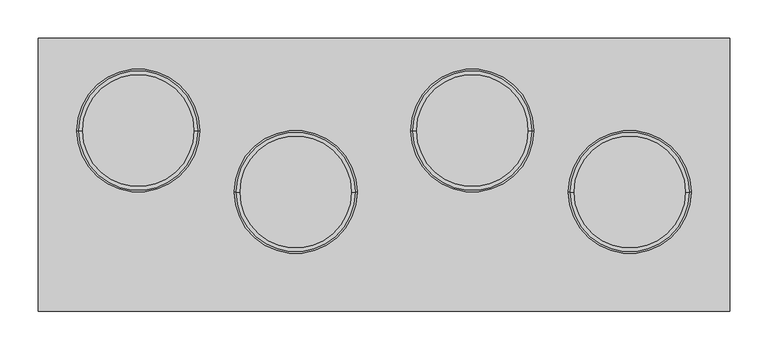
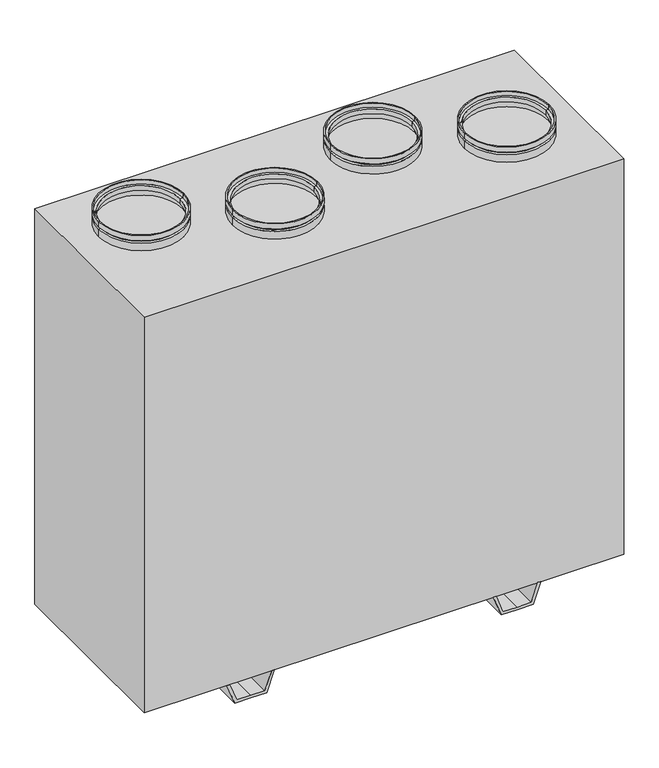
"""IFC4 building model written with IfcOpenShell, lengths in millimetres: proxy geometry."""

from ifc_helpers import new_model, si_unit, frame, origin, place, context, project, spatial, polyline, circle_curve, outline, extrude, source, transform, mapped, element, save
from ifc_brep_helpers import plane_surface, cylinder_surface, revolved_surface, advanced_brep


def mechanical_equipment_d08b64f3(model_context):
    return source(origin(), model_context, "Body", "SolidModel", [
        advanced_brep(
        [(400.0, -22.5, 845.0), (240.0, -22.5, 845.0), (240.0, -22.5, 855.0), (400.0, -22.5, 855.0), (395.0, -22.5, 845.0), (245.0, -22.5, 845.0), (395.0, -22.5, 840.0), (245.0, -22.5, 840.0), (400.0, -22.5, 840.0), (240.0, -22.5, 840.0), (400.0, -22.5, 825.0), (240.0, -22.5, 825.0), (398.0, -22.5, 825.0), (242.0, -22.5, 825.0), (398.0, -22.5, 838.0), (242.0, -22.5, 838.0), (393.0, -22.5, 838.0), (247.0, -22.5, 838.0), (393.0, -22.5, 847.0), (247.0, -22.5, 847.0), (398.0, -22.5, 847.0), (242.0, -22.5, 847.0), (398.0, -22.5, 855.0), (242.0, -22.5, 855.0)],
        [
            (0, 1, circle_curve(frame((320.0, -22.5, 845.0), z_axis=(0.0, 0.0, 1.0), x_axis=(-1.0, 0.0, 0.0)), 80.0)),
            (1, 2),
            (2, 3, circle_curve(frame((320.0, -22.5, 855.0), z_axis=(0.0, 0.0, -1.0), x_axis=(-1.0, 0.0, 0.0)), 80.0)),
            (3, 0),
            (1, 0, circle_curve(frame((320.0, -22.5, 845.0), z_axis=(0.0, 0.0, 1.0), x_axis=(-1.0, 0.0, 0.0)), 80.0)),
            (3, 2, circle_curve(frame((320.0, -22.5, 855.0), z_axis=(0.0, 0.0, -1.0), x_axis=(-1.0, 0.0, 0.0)), 80.0)),
            (4, 5, circle_curve(frame((320.0, -22.5, 845.0), z_axis=(0.0, 0.0, 1.0), x_axis=(-1.0, 0.0, 0.0)), 75.0)),
            (5, 1),
            (0, 4),
            (5, 4, circle_curve(frame((320.0, -22.5, 845.0), z_axis=(0.0, 0.0, 1.0), x_axis=(-1.0, 0.0, 0.0)), 75.0)),
            (6, 7, circle_curve(frame((320.0, -22.5, 840.0), z_axis=(0.0, 0.0, 1.0), x_axis=(-1.0, 0.0, 0.0)), 75.0)),
            (7, 5),
            (4, 6),
            (7, 6, circle_curve(frame((320.0, -22.5, 840.0), z_axis=(0.0, 0.0, 1.0), x_axis=(-1.0, 0.0, 0.0)), 75.0)),
            (8, 9, circle_curve(frame((320.0, -22.5, 840.0), z_axis=(0.0, 0.0, 1.0), x_axis=(-1.0, 0.0, 0.0)), 80.0)),
            (9, 7),
            (6, 8),
            (9, 8, circle_curve(frame((320.0, -22.5, 840.0), z_axis=(0.0, 0.0, 1.0), x_axis=(-1.0, 0.0, 0.0)), 80.0)),
            (10, 11, circle_curve(frame((320.0, -22.5, 825.0), z_axis=(0.0, 0.0, 1.0), x_axis=(-1.0, 0.0, 0.0)), 80.0)),
            (11, 9),
            (8, 10),
            (11, 10, circle_curve(frame((320.0, -22.5, 825.0), z_axis=(0.0, 0.0, 1.0), x_axis=(-1.0, 0.0, 0.0)), 80.0)),
            (12, 13, circle_curve(frame((320.0, -22.5, 825.0), z_axis=(0.0, 0.0, 1.0), x_axis=(-1.0, 0.0, 0.0)), 78.0)),
            (13, 11),
            (10, 12),
            (13, 12, circle_curve(frame((320.0, -22.5, 825.0), z_axis=(0.0, 0.0, 1.0), x_axis=(-1.0, 0.0, 0.0)), 78.0)),
            (14, 15, circle_curve(frame((320.0, -22.5, 838.0), z_axis=(0.0, 0.0, 1.0), x_axis=(-1.0, 0.0, 0.0)), 78.0)),
            (15, 13),
            (12, 14),
            (15, 14, circle_curve(frame((320.0, -22.5, 838.0), z_axis=(0.0, 0.0, 1.0), x_axis=(-1.0, 0.0, 0.0)), 78.0)),
            (16, 17, circle_curve(frame((320.0, -22.5, 838.0), z_axis=(0.0, 0.0, 1.0), x_axis=(-1.0, 0.0, 0.0)), 73.0)),
            (17, 15),
            (14, 16),
            (17, 16, circle_curve(frame((320.0, -22.5, 838.0), z_axis=(0.0, 0.0, 1.0), x_axis=(-1.0, 0.0, 0.0)), 73.0)),
            (18, 19, circle_curve(frame((320.0, -22.5, 847.0), z_axis=(0.0, 0.0, 1.0), x_axis=(-1.0, 0.0, 0.0)), 73.0)),
            (19, 17),
            (16, 18),
            (19, 18, circle_curve(frame((320.0, -22.5, 847.0), z_axis=(0.0, 0.0, 1.0), x_axis=(-1.0, 0.0, 0.0)), 73.0)),
            (20, 21, circle_curve(frame((320.0, -22.5, 847.0), z_axis=(0.0, 0.0, 1.0), x_axis=(-1.0, 0.0, 0.0)), 78.0)),
            (21, 19),
            (18, 20),
            (21, 20, circle_curve(frame((320.0, -22.5, 847.0), z_axis=(0.0, 0.0, 1.0), x_axis=(-1.0, 0.0, 0.0)), 78.0)),
            (22, 23, circle_curve(frame((320.0, -22.5, 855.0), z_axis=(0.0, 0.0, 1.0), x_axis=(-1.0, 0.0, 0.0)), 78.0)),
            (23, 21),
            (20, 22),
            (23, 22, circle_curve(frame((320.0, -22.5, 855.0), z_axis=(0.0, 0.0, 1.0), x_axis=(-1.0, 0.0, 0.0)), 78.0)),
            (2, 23),
            (22, 3),
        ],
        [
            cylinder_surface(frame((320.0, -22.5, 2390.0440172), z_axis=(0.0, 0.0, -1.0), x_axis=(-1.0, 0.0, 0.0)), 80.0),
            plane_surface(frame((320.0, -22.5, 845.0), z_axis=(0.0, 0.0, -1.0), x_axis=(-1.0, 0.0, 0.0))),
            cylinder_surface(frame((320.0, -22.5, 2390.0440172), z_axis=(0.0, 0.0, -1.0), x_axis=(-1.0, 0.0, 0.0)), 75.0),
            plane_surface(frame((320.0, -22.5, 840.0), z_axis=(0.0, 0.0, 1.0), x_axis=(-1.0, 0.0, 0.0))),
            plane_surface(frame((320.0, -22.5, 825.0), z_axis=(0.0, 0.0, -1.0), x_axis=(-1.0, 0.0, 0.0))),
            revolved_surface(polyline([(242.0, -22.5, 825.0), (242.0, -22.5, 838.0)]), (320.0, -22.5, 2390.0440172), (0.0, 0.0, -1.0)),
            plane_surface(frame((320.0, -22.5, 838.0), z_axis=(0.0, 0.0, -1.0), x_axis=(-1.0, 0.0, 0.0))),
            revolved_surface(polyline([(247.0, -22.5, 838.0), (247.0, -22.5, 847.0)]), (320.0, -22.5, 2390.0440172), (0.0, 0.0, -1.0)),
            plane_surface(frame((320.0, -22.5, 847.0), z_axis=(0.0, 0.0, 1.0), x_axis=(-1.0, 0.0, 0.0))),
            revolved_surface(polyline([(242.0, -22.5, 847.0), (242.0, -22.5, 855.0)]), (320.0, -22.5, 2390.0440172), (0.0, 0.0, -1.0)),
            plane_surface(frame((320.0, -22.5, 855.0), z_axis=(0.0, 0.0, 1.0), x_axis=(-1.0, 0.0, 0.0))),
        ],
        [
            (0, [[1, 2, 3, 4]]),
            (0, [[5, -4, 6, -2]]),
            (1, [[7, 8, -1, 9]]),
            (1, [[10, -9, -5, -8]]),
            (2, [[11, 12, -7, 13]]),
            (2, [[14, -13, -10, -12]]),
            (3, [[15, 16, -11, 17]]),
            (3, [[18, -17, -14, -16]]),
            (0, [[19, 20, -15, 21]]),
            (0, [[22, -21, -18, -20]]),
            (4, [[23, 24, -19, 25]]),
            (4, [[26, -25, -22, -24]]),
            (5, [[27, 28, -23, 29]]),
            (5, [[30, -29, -26, -28]]),
            (6, [[31, 32, -27, 33]]),
            (6, [[34, -33, -30, -32]]),
            (7, [[35, 36, -31, 37]]),
            (7, [[38, -37, -34, -36]]),
            (8, [[39, 40, -35, 41]]),
            (8, [[42, -41, -38, -40]]),
            (9, [[43, 44, -39, 45]]),
            (9, [[46, -45, -42, -44]]),
            (10, [[-3, 47, -43, 48]]),
            (10, [[-6, -48, -46, -47]]),
        ],
    ),
        advanced_brep(
        [(195.0, 57.5, 845.0), (35.0, 57.5, 845.0), (35.0, 57.5, 855.0), (195.0, 57.5, 855.0), (190.0, 57.5, 845.0), (40.0, 57.5, 845.0), (190.0, 57.5, 840.0), (40.0, 57.5, 840.0), (195.0, 57.5, 840.0), (35.0, 57.5, 840.0), (195.0, 57.5, 825.0), (35.0, 57.5, 825.0), (193.0, 57.5, 825.0), (37.0, 57.5, 825.0), (193.0, 57.5, 838.0), (37.0, 57.5, 838.0), (188.0, 57.5, 838.0), (42.0, 57.5, 838.0), (188.0, 57.5, 847.0), (42.0, 57.5, 847.0), (193.0, 57.5, 847.0), (37.0, 57.5, 847.0), (193.0, 57.5, 855.0), (37.0, 57.5, 855.0)],
        [
            (0, 1, circle_curve(frame((115.0, 57.5, 845.0), z_axis=(0.0, 0.0, 1.0), x_axis=(-1.0, 0.0, 0.0)), 80.0)),
            (1, 2),
            (2, 3, circle_curve(frame((115.0, 57.5, 855.0), z_axis=(0.0, 0.0, -1.0), x_axis=(-1.0, 0.0, 0.0)), 80.0)),
            (3, 0),
            (1, 0, circle_curve(frame((115.0, 57.5, 845.0), z_axis=(0.0, 0.0, 1.0), x_axis=(-1.0, 0.0, 0.0)), 80.0)),
            (3, 2, circle_curve(frame((115.0, 57.5, 855.0), z_axis=(0.0, 0.0, -1.0), x_axis=(-1.0, 0.0, 0.0)), 80.0)),
            (4, 5, circle_curve(frame((115.0, 57.5, 845.0), z_axis=(0.0, 0.0, 1.0), x_axis=(-1.0, 0.0, 0.0)), 75.0)),
            (5, 1),
            (0, 4),
            (5, 4, circle_curve(frame((115.0, 57.5, 845.0), z_axis=(0.0, 0.0, 1.0), x_axis=(-1.0, 0.0, 0.0)), 75.0)),
            (6, 7, circle_curve(frame((115.0, 57.5, 840.0), z_axis=(0.0, 0.0, 1.0), x_axis=(-1.0, 0.0, 0.0)), 75.0)),
            (7, 5),
            (4, 6),
            (7, 6, circle_curve(frame((115.0, 57.5, 840.0), z_axis=(0.0, 0.0, 1.0), x_axis=(-1.0, 0.0, 0.0)), 75.0)),
            (8, 9, circle_curve(frame((115.0, 57.5, 840.0), z_axis=(0.0, 0.0, 1.0), x_axis=(-1.0, 0.0, 0.0)), 80.0)),
            (9, 7),
            (6, 8),
            (9, 8, circle_curve(frame((115.0, 57.5, 840.0), z_axis=(0.0, 0.0, 1.0), x_axis=(-1.0, 0.0, 0.0)), 80.0)),
            (10, 11, circle_curve(frame((115.0, 57.5, 825.0), z_axis=(0.0, 0.0, 1.0), x_axis=(-1.0, 0.0, 0.0)), 80.0)),
            (11, 9),
            (8, 10),
            (11, 10, circle_curve(frame((115.0, 57.5, 825.0), z_axis=(0.0, 0.0, 1.0), x_axis=(-1.0, 0.0, 0.0)), 80.0)),
            (12, 13, circle_curve(frame((115.0, 57.5, 825.0), z_axis=(0.0, 0.0, 1.0), x_axis=(-1.0, 0.0, 0.0)), 78.0)),
            (13, 11),
            (10, 12),
            (13, 12, circle_curve(frame((115.0, 57.5, 825.0), z_axis=(0.0, 0.0, 1.0), x_axis=(-1.0, 0.0, 0.0)), 78.0)),
            (14, 15, circle_curve(frame((115.0, 57.5, 838.0), z_axis=(0.0, 0.0, 1.0), x_axis=(-1.0, 0.0, 0.0)), 78.0)),
            (15, 13),
            (12, 14),
            (15, 14, circle_curve(frame((115.0, 57.5, 838.0), z_axis=(0.0, 0.0, 1.0), x_axis=(-1.0, 0.0, 0.0)), 78.0)),
            (16, 17, circle_curve(frame((115.0, 57.5, 838.0), z_axis=(0.0, 0.0, 1.0), x_axis=(-1.0, 0.0, 0.0)), 73.0)),
            (17, 15),
            (14, 16),
            (17, 16, circle_curve(frame((115.0, 57.5, 838.0), z_axis=(0.0, 0.0, 1.0), x_axis=(-1.0, 0.0, 0.0)), 73.0)),
            (18, 19, circle_curve(frame((115.0, 57.5, 847.0), z_axis=(0.0, 0.0, 1.0), x_axis=(-1.0, 0.0, 0.0)), 73.0)),
            (19, 17),
            (16, 18),
            (19, 18, circle_curve(frame((115.0, 57.5, 847.0), z_axis=(0.0, 0.0, 1.0), x_axis=(-1.0, 0.0, 0.0)), 73.0)),
            (20, 21, circle_curve(frame((115.0, 57.5, 847.0), z_axis=(0.0, 0.0, 1.0), x_axis=(-1.0, 0.0, 0.0)), 78.0)),
            (21, 19),
            (18, 20),
            (21, 20, circle_curve(frame((115.0, 57.5, 847.0), z_axis=(0.0, 0.0, 1.0), x_axis=(-1.0, 0.0, 0.0)), 78.0)),
            (22, 23, circle_curve(frame((115.0, 57.5, 855.0), z_axis=(0.0, 0.0, 1.0), x_axis=(-1.0, 0.0, 0.0)), 78.0)),
            (23, 21),
            (20, 22),
            (23, 22, circle_curve(frame((115.0, 57.5, 855.0), z_axis=(0.0, 0.0, 1.0), x_axis=(-1.0, 0.0, 0.0)), 78.0)),
            (2, 23),
            (22, 3),
        ],
        [
            cylinder_surface(frame((115.0, 57.5, 2390.0440172), z_axis=(0.0, 0.0, -1.0), x_axis=(-1.0, 0.0, 0.0)), 80.0),
            plane_surface(frame((115.0, 57.5, 845.0), z_axis=(0.0, 0.0, -1.0), x_axis=(-1.0, 0.0, 0.0))),
            cylinder_surface(frame((115.0, 57.5, 2390.0440172), z_axis=(0.0, 0.0, -1.0), x_axis=(-1.0, 0.0, 0.0)), 75.0),
            plane_surface(frame((115.0, 57.5, 840.0), z_axis=(0.0, 0.0, 1.0), x_axis=(-1.0, 0.0, 0.0))),
            plane_surface(frame((115.0, 57.5, 825.0), z_axis=(0.0, 0.0, -1.0), x_axis=(-1.0, 0.0, 0.0))),
            revolved_surface(polyline([(37.0, 57.5, 825.0), (37.0, 57.5, 838.0)]), (115.0, 57.5, 2390.0440172), (0.0, 0.0, -1.0)),
            plane_surface(frame((115.0, 57.5, 838.0), z_axis=(0.0, 0.0, -1.0), x_axis=(-1.0, 0.0, 0.0))),
            revolved_surface(polyline([(42.0, 57.5, 838.0), (42.0, 57.5, 847.0)]), (115.0, 57.5, 2390.0440172), (0.0, 0.0, -1.0)),
            plane_surface(frame((115.0, 57.5, 847.0), z_axis=(0.0, 0.0, 1.0), x_axis=(-1.0, 0.0, 0.0))),
            revolved_surface(polyline([(37.0, 57.5, 847.0), (37.0, 57.5, 855.0)]), (115.0, 57.5, 2390.0440172), (0.0, 0.0, -1.0)),
            plane_surface(frame((115.0, 57.5, 855.0), z_axis=(0.0, 0.0, 1.0), x_axis=(-1.0, 0.0, 0.0))),
        ],
        [
            (0, [[1, 2, 3, 4]]),
            (0, [[5, -4, 6, -2]]),
            (1, [[7, 8, -1, 9]]),
            (1, [[10, -9, -5, -8]]),
            (2, [[11, 12, -7, 13]]),
            (2, [[14, -13, -10, -12]]),
            (3, [[15, 16, -11, 17]]),
            (3, [[18, -17, -14, -16]]),
            (0, [[19, 20, -15, 21]]),
            (0, [[22, -21, -18, -20]]),
            (4, [[23, 24, -19, 25]]),
            (4, [[26, -25, -22, -24]]),
            (5, [[27, 28, -23, 29]]),
            (5, [[30, -29, -26, -28]]),
            (6, [[31, 32, -27, 33]]),
            (6, [[34, -33, -30, -32]]),
            (7, [[35, 36, -31, 37]]),
            (7, [[38, -37, -34, -36]]),
            (8, [[39, 40, -35, 41]]),
            (8, [[42, -41, -38, -40]]),
            (9, [[43, 44, -39, 45]]),
            (9, [[46, -45, -42, -44]]),
            (10, [[-3, 47, -43, 48]]),
            (10, [[-6, -48, -46, -47]]),
        ],
    ),
        advanced_brep(
        [(-35.0, -22.5, 845.0), (-195.0, -22.5, 845.0), (-195.0, -22.5, 855.0), (-35.0, -22.5, 855.0), (-40.0, -22.5, 845.0), (-190.0, -22.5, 845.0), (-40.0, -22.5, 840.0), (-190.0, -22.5, 840.0), (-35.0, -22.5, 840.0), (-195.0, -22.5, 840.0), (-35.0, -22.5, 825.0), (-195.0, -22.5, 825.0), (-37.0, -22.5, 825.0), (-193.0, -22.5, 825.0), (-37.0, -22.5, 838.0), (-193.0, -22.5, 838.0), (-42.0, -22.5, 838.0), (-188.0, -22.5, 838.0), (-42.0, -22.5, 847.0), (-188.0, -22.5, 847.0), (-37.0, -22.5, 847.0), (-193.0, -22.5, 847.0), (-37.0, -22.5, 855.0), (-193.0, -22.5, 855.0)],
        [
            (0, 1, circle_curve(frame((-115.0, -22.5, 845.0), z_axis=(0.0, 0.0, 1.0), x_axis=(-1.0, 0.0, 0.0)), 80.0)),
            (1, 2),
            (2, 3, circle_curve(frame((-115.0, -22.5, 855.0), z_axis=(0.0, 0.0, -1.0), x_axis=(-1.0, 0.0, 0.0)), 80.0)),
            (3, 0),
            (1, 0, circle_curve(frame((-115.0, -22.5, 845.0), z_axis=(0.0, 0.0, 1.0), x_axis=(-1.0, 0.0, 0.0)), 80.0)),
            (3, 2, circle_curve(frame((-115.0, -22.5, 855.0), z_axis=(0.0, 0.0, -1.0), x_axis=(-1.0, 0.0, 0.0)), 80.0)),
            (4, 5, circle_curve(frame((-115.0, -22.5, 845.0), z_axis=(0.0, 0.0, 1.0), x_axis=(-1.0, 0.0, 0.0)), 75.0)),
            (5, 1),
            (0, 4),
            (5, 4, circle_curve(frame((-115.0, -22.5, 845.0), z_axis=(0.0, 0.0, 1.0), x_axis=(-1.0, 0.0, 0.0)), 75.0)),
            (6, 7, circle_curve(frame((-115.0, -22.5, 840.0), z_axis=(0.0, 0.0, 1.0), x_axis=(-1.0, 0.0, 0.0)), 75.0)),
            (7, 5),
            (4, 6),
            (7, 6, circle_curve(frame((-115.0, -22.5, 840.0), z_axis=(0.0, 0.0, 1.0), x_axis=(-1.0, 0.0, 0.0)), 75.0)),
            (8, 9, circle_curve(frame((-115.0, -22.5, 840.0), z_axis=(0.0, 0.0, 1.0), x_axis=(-1.0, 0.0, 0.0)), 80.0)),
            (9, 7),
            (6, 8),
            (9, 8, circle_curve(frame((-115.0, -22.5, 840.0), z_axis=(0.0, 0.0, 1.0), x_axis=(-1.0, 0.0, 0.0)), 80.0)),
            (10, 11, circle_curve(frame((-115.0, -22.5, 825.0), z_axis=(0.0, 0.0, 1.0), x_axis=(-1.0, 0.0, 0.0)), 80.0)),
            (11, 9),
            (8, 10),
            (11, 10, circle_curve(frame((-115.0, -22.5, 825.0), z_axis=(0.0, 0.0, 1.0), x_axis=(-1.0, 0.0, 0.0)), 80.0)),
            (12, 13, circle_curve(frame((-115.0, -22.5, 825.0), z_axis=(0.0, 0.0, 1.0), x_axis=(-1.0, 0.0, 0.0)), 78.0)),
            (13, 11),
            (10, 12),
            (13, 12, circle_curve(frame((-115.0, -22.5, 825.0), z_axis=(0.0, 0.0, 1.0), x_axis=(-1.0, 0.0, 0.0)), 78.0)),
            (14, 15, circle_curve(frame((-115.0, -22.5, 838.0), z_axis=(0.0, 0.0, 1.0), x_axis=(-1.0, 0.0, 0.0)), 78.0)),
            (15, 13),
            (12, 14),
            (15, 14, circle_curve(frame((-115.0, -22.5, 838.0), z_axis=(0.0, 0.0, 1.0), x_axis=(-1.0, 0.0, 0.0)), 78.0)),
            (16, 17, circle_curve(frame((-115.0, -22.5, 838.0), z_axis=(0.0, 0.0, 1.0), x_axis=(-1.0, 0.0, 0.0)), 73.0)),
            (17, 15),
            (14, 16),
            (17, 16, circle_curve(frame((-115.0, -22.5, 838.0), z_axis=(0.0, 0.0, 1.0), x_axis=(-1.0, 0.0, 0.0)), 73.0)),
            (18, 19, circle_curve(frame((-115.0, -22.5, 847.0), z_axis=(0.0, 0.0, 1.0), x_axis=(-1.0, 0.0, 0.0)), 73.0)),
            (19, 17),
            (16, 18),
            (19, 18, circle_curve(frame((-115.0, -22.5, 847.0), z_axis=(0.0, 0.0, 1.0), x_axis=(-1.0, 0.0, 0.0)), 73.0)),
            (20, 21, circle_curve(frame((-115.0, -22.5, 847.0), z_axis=(0.0, 0.0, 1.0), x_axis=(-1.0, 0.0, 0.0)), 78.0)),
            (21, 19),
            (18, 20),
            (21, 20, circle_curve(frame((-115.0, -22.5, 847.0), z_axis=(0.0, 0.0, 1.0), x_axis=(-1.0, 0.0, 0.0)), 78.0)),
            (22, 23, circle_curve(frame((-115.0, -22.5, 855.0), z_axis=(0.0, 0.0, 1.0), x_axis=(-1.0, 0.0, 0.0)), 78.0)),
            (23, 21),
            (20, 22),
            (23, 22, circle_curve(frame((-115.0, -22.5, 855.0), z_axis=(0.0, 0.0, 1.0), x_axis=(-1.0, 0.0, 0.0)), 78.0)),
            (2, 23),
            (22, 3),
        ],
        [
            cylinder_surface(frame((-115.0, -22.5, 2390.0440172), z_axis=(0.0, 0.0, -1.0), x_axis=(-1.0, 0.0, 0.0)), 80.0),
            plane_surface(frame((-115.0, -22.5, 845.0), z_axis=(0.0, 0.0, -1.0), x_axis=(-1.0, 0.0, 0.0))),
            cylinder_surface(frame((-115.0, -22.5, 2390.0440172), z_axis=(0.0, 0.0, -1.0), x_axis=(-1.0, 0.0, 0.0)), 75.0),
            plane_surface(frame((-115.0, -22.5, 840.0), z_axis=(0.0, 0.0, 1.0), x_axis=(-1.0, 0.0, 0.0))),
            plane_surface(frame((-115.0, -22.5, 825.0), z_axis=(0.0, 0.0, -1.0), x_axis=(-1.0, 0.0, 0.0))),
            revolved_surface(polyline([(-193.0, -22.5, 825.0), (-193.0, -22.5, 838.0)]), (-115.0, -22.5, 2390.0440172), (0.0, 0.0, -1.0)),
            plane_surface(frame((-115.0, -22.5, 838.0), z_axis=(0.0, 0.0, -1.0), x_axis=(-1.0, 0.0, 0.0))),
            revolved_surface(polyline([(-188.0, -22.5, 838.0), (-188.0, -22.5, 847.0)]), (-115.0, -22.5, 2390.0440172), (0.0, 0.0, -1.0)),
            plane_surface(frame((-115.0, -22.5, 847.0), z_axis=(0.0, 0.0, 1.0), x_axis=(-1.0, 0.0, 0.0))),
            revolved_surface(polyline([(-193.0, -22.5, 847.0), (-193.0, -22.5, 855.0)]), (-115.0, -22.5, 2390.0440172), (0.0, 0.0, -1.0)),
            plane_surface(frame((-115.0, -22.5, 855.0), z_axis=(0.0, 0.0, 1.0), x_axis=(-1.0, 0.0, 0.0))),
        ],
        [
            (0, [[1, 2, 3, 4]]),
            (0, [[5, -4, 6, -2]]),
            (1, [[7, 8, -1, 9]]),
            (1, [[10, -9, -5, -8]]),
            (2, [[11, 12, -7, 13]]),
            (2, [[14, -13, -10, -12]]),
            (3, [[15, 16, -11, 17]]),
            (3, [[18, -17, -14, -16]]),
            (0, [[19, 20, -15, 21]]),
            (0, [[22, -21, -18, -20]]),
            (4, [[23, 24, -19, 25]]),
            (4, [[26, -25, -22, -24]]),
            (5, [[27, 28, -23, 29]]),
            (5, [[30, -29, -26, -28]]),
            (6, [[31, 32, -27, 33]]),
            (6, [[34, -33, -30, -32]]),
            (7, [[35, 36, -31, 37]]),
            (7, [[38, -37, -34, -36]]),
            (8, [[39, 40, -35, 41]]),
            (8, [[42, -41, -38, -40]]),
            (9, [[43, 44, -39, 45]]),
            (9, [[46, -45, -42, -44]]),
            (10, [[-3, 47, -43, 48]]),
            (10, [[-6, -48, -46, -47]]),
        ],
    ),
        advanced_brep(
        [(-240.0, 57.5, 845.0), (-400.0, 57.5, 845.0), (-400.0, 57.5, 855.0), (-240.0, 57.5, 855.0), (-245.0, 57.5, 845.0), (-395.0, 57.5, 845.0), (-245.0, 57.5, 840.0), (-395.0, 57.5, 840.0), (-240.0, 57.5, 840.0), (-400.0, 57.5, 840.0), (-240.0, 57.5, 825.0), (-400.0, 57.5, 825.0), (-242.0, 57.5, 825.0), (-398.0, 57.5, 825.0), (-242.0, 57.5, 838.0), (-398.0, 57.5, 838.0), (-247.0, 57.5, 838.0), (-393.0, 57.5, 838.0), (-247.0, 57.5, 847.0), (-393.0, 57.5, 847.0), (-242.0, 57.5, 847.0), (-398.0, 57.5, 847.0), (-242.0, 57.5, 855.0), (-398.0, 57.5, 855.0)],
        [
            (0, 1, circle_curve(frame((-320.0, 57.5, 845.0), z_axis=(0.0, 0.0, 1.0), x_axis=(-1.0, 0.0, 0.0)), 80.0)),
            (1, 2),
            (2, 3, circle_curve(frame((-320.0, 57.5, 855.0), z_axis=(0.0, 0.0, -1.0), x_axis=(-1.0, 0.0, 0.0)), 80.0)),
            (3, 0),
            (1, 0, circle_curve(frame((-320.0, 57.5, 845.0), z_axis=(0.0, 0.0, 1.0), x_axis=(-1.0, 0.0, 0.0)), 80.0)),
            (3, 2, circle_curve(frame((-320.0, 57.5, 855.0), z_axis=(0.0, 0.0, -1.0), x_axis=(-1.0, 0.0, 0.0)), 80.0)),
            (4, 5, circle_curve(frame((-320.0, 57.5, 845.0), z_axis=(0.0, 0.0, 1.0), x_axis=(-1.0, 0.0, 0.0)), 75.0)),
            (5, 1),
            (0, 4),
            (5, 4, circle_curve(frame((-320.0, 57.5, 845.0), z_axis=(0.0, 0.0, 1.0), x_axis=(-1.0, 0.0, 0.0)), 75.0)),
            (6, 7, circle_curve(frame((-320.0, 57.5, 840.0), z_axis=(0.0, 0.0, 1.0), x_axis=(-1.0, 0.0, 0.0)), 75.0)),
            (7, 5),
            (4, 6),
            (7, 6, circle_curve(frame((-320.0, 57.5, 840.0), z_axis=(0.0, 0.0, 1.0), x_axis=(-1.0, 0.0, 0.0)), 75.0)),
            (8, 9, circle_curve(frame((-320.0, 57.5, 840.0), z_axis=(0.0, 0.0, 1.0), x_axis=(-1.0, 0.0, 0.0)), 80.0)),
            (9, 7),
            (6, 8),
            (9, 8, circle_curve(frame((-320.0, 57.5, 840.0), z_axis=(0.0, 0.0, 1.0), x_axis=(-1.0, 0.0, 0.0)), 80.0)),
            (10, 11, circle_curve(frame((-320.0, 57.5, 825.0), z_axis=(0.0, 0.0, 1.0), x_axis=(-1.0, 0.0, 0.0)), 80.0)),
            (11, 9),
            (8, 10),
            (11, 10, circle_curve(frame((-320.0, 57.5, 825.0), z_axis=(0.0, 0.0, 1.0), x_axis=(-1.0, 0.0, 0.0)), 80.0)),
            (12, 13, circle_curve(frame((-320.0, 57.5, 825.0), z_axis=(0.0, 0.0, 1.0), x_axis=(-1.0, 0.0, 0.0)), 78.0)),
            (13, 11),
            (10, 12),
            (13, 12, circle_curve(frame((-320.0, 57.5, 825.0), z_axis=(0.0, 0.0, 1.0), x_axis=(-1.0, 0.0, 0.0)), 78.0)),
            (14, 15, circle_curve(frame((-320.0, 57.5, 838.0), z_axis=(0.0, 0.0, 1.0), x_axis=(-1.0, 0.0, 0.0)), 78.0)),
            (15, 13),
            (12, 14),
            (15, 14, circle_curve(frame((-320.0, 57.5, 838.0), z_axis=(0.0, 0.0, 1.0), x_axis=(-1.0, 0.0, 0.0)), 78.0)),
            (16, 17, circle_curve(frame((-320.0, 57.5, 838.0), z_axis=(0.0, 0.0, 1.0), x_axis=(-1.0, 0.0, 0.0)), 73.0)),
            (17, 15),
            (14, 16),
            (17, 16, circle_curve(frame((-320.0, 57.5, 838.0), z_axis=(0.0, 0.0, 1.0), x_axis=(-1.0, 0.0, 0.0)), 73.0)),
            (18, 19, circle_curve(frame((-320.0, 57.5, 847.0), z_axis=(0.0, 0.0, 1.0), x_axis=(-1.0, 0.0, 0.0)), 73.0)),
            (19, 17),
            (16, 18),
            (19, 18, circle_curve(frame((-320.0, 57.5, 847.0), z_axis=(0.0, 0.0, 1.0), x_axis=(-1.0, 0.0, 0.0)), 73.0)),
            (20, 21, circle_curve(frame((-320.0, 57.5, 847.0), z_axis=(0.0, 0.0, 1.0), x_axis=(-1.0, 0.0, 0.0)), 78.0)),
            (21, 19),
            (18, 20),
            (21, 20, circle_curve(frame((-320.0, 57.5, 847.0), z_axis=(0.0, 0.0, 1.0), x_axis=(-1.0, 0.0, 0.0)), 78.0)),
            (22, 23, circle_curve(frame((-320.0, 57.5, 855.0), z_axis=(0.0, 0.0, 1.0), x_axis=(-1.0, 0.0, 0.0)), 78.0)),
            (23, 21),
            (20, 22),
            (23, 22, circle_curve(frame((-320.0, 57.5, 855.0), z_axis=(0.0, 0.0, 1.0), x_axis=(-1.0, 0.0, 0.0)), 78.0)),
            (2, 23),
            (22, 3),
        ],
        [
            cylinder_surface(frame((-320.0, 57.5, 2390.0440172), z_axis=(0.0, 0.0, -1.0), x_axis=(-1.0, 0.0, 0.0)), 80.0),
            plane_surface(frame((-320.0, 57.5, 845.0), z_axis=(0.0, 0.0, -1.0), x_axis=(-1.0, 0.0, 0.0))),
            cylinder_surface(frame((-320.0, 57.5, 2390.0440172), z_axis=(0.0, 0.0, -1.0), x_axis=(-1.0, 0.0, 0.0)), 75.0),
            plane_surface(frame((-320.0, 57.5, 840.0), z_axis=(0.0, 0.0, 1.0), x_axis=(-1.0, 0.0, 0.0))),
            plane_surface(frame((-320.0, 57.5, 825.0), z_axis=(0.0, 0.0, -1.0), x_axis=(-1.0, 0.0, 0.0))),
            revolved_surface(polyline([(-398.0, 57.5, 825.0), (-398.0, 57.5, 838.0)]), (-320.0, 57.5, 2390.0440172), (0.0, 0.0, -1.0)),
            plane_surface(frame((-320.0, 57.5, 838.0), z_axis=(0.0, 0.0, -1.0), x_axis=(-1.0, 0.0, 0.0))),
            revolved_surface(polyline([(-393.0, 57.5, 838.0), (-393.0, 57.5, 847.0)]), (-320.0, 57.5, 2390.0440172), (0.0, 0.0, -1.0)),
            plane_surface(frame((-320.0, 57.5, 847.0), z_axis=(0.0, 0.0, 1.0), x_axis=(-1.0, 0.0, 0.0))),
            revolved_surface(polyline([(-398.0, 57.5, 847.0), (-398.0, 57.5, 855.0)]), (-320.0, 57.5, 2390.0440172), (0.0, 0.0, -1.0)),
            plane_surface(frame((-320.0, 57.5, 855.0), z_axis=(0.0, 0.0, 1.0), x_axis=(-1.0, 0.0, 0.0))),
        ],
        [
            (0, [[1, 2, 3, 4]]),
            (0, [[5, -4, 6, -2]]),
            (1, [[7, 8, -1, 9]]),
            (1, [[10, -9, -5, -8]]),
            (2, [[11, 12, -7, 13]]),
            (2, [[14, -13, -10, -12]]),
            (3, [[15, 16, -11, 17]]),
            (3, [[18, -17, -14, -16]]),
            (0, [[19, 20, -15, 21]]),
            (0, [[22, -21, -18, -20]]),
            (4, [[23, 24, -19, 25]]),
            (4, [[26, -25, -22, -24]]),
            (5, [[27, 28, -23, 29]]),
            (5, [[30, -29, -26, -28]]),
            (6, [[31, 32, -27, 33]]),
            (6, [[34, -33, -30, -32]]),
            (7, [[35, 36, -31, 37]]),
            (7, [[38, -37, -34, -36]]),
            (8, [[39, 40, -35, 41]]),
            (8, [[42, -41, -38, -40]]),
            (9, [[43, 44, -39, 45]]),
            (9, [[46, -45, -42, -44]]),
            (10, [[-3, 47, -43, 48]]),
            (10, [[-6, -48, -46, -47]]),
        ],
    ),
        extrude(outline(polyline([(0.0, 280.0), (40.0, 294.5588094), (40.0, 289.2379205), (5.0, 276.4989623), (5.0, 250.0), (5.0, 223.5010377), (40.0, 210.7620795), (40.0, 205.4411906), (0.0, 220.0), (0.0, 250.0), (0.0, 280.0)])), frame((0.0, -177.5, 0.0), z_axis=(0.0, 1.0, 0.0), x_axis=(0.0, 0.0, 1.0)), (0.0, 0.0, 1.0), 355.0),
        extrude(outline(polyline([(0.0, -220.0), (40.0, -205.4411906), (40.0, -210.7620795), (5.0, -223.5010377), (5.0, -250.0), (5.0, -276.4989623), (40.0, -289.2379205), (40.0, -294.5588094), (0.0, -280.0), (0.0, -250.0), (0.0, -220.0)])), frame((0.0, -177.5, 0.0), z_axis=(0.0, 1.0, 0.0), x_axis=(0.0, 0.0, 1.0)), (0.0, 0.0, 1.0), 355.0),
        extrude(outline(polyline([(-450.0, 177.5), (450.0, 177.5), (450.0, -177.5), (-450.0, -177.5), (-450.0, 177.5)])), frame((0.0, 0.0, 40.0), z_axis=(0.0, 0.0, 1.0), x_axis=(1.0, 0.0, 0.0)), (0.0, 0.0, 1.0), 785.0),
    ])


if __name__ == "__main__":
    model = new_model("IFC4")
    model_context = context("Model", 3, world=origin())
    ifc_project = project(units=[si_unit("LENGTHUNIT", "METRE", prefix="MILLI")], contexts=[model_context])
    site = spatial("IfcSite", under=ifc_project)
    building = spatial("IfcBuilding", under=site)
    placement = place(None, origin())
    mechanical_equipment_shape = mechanical_equipment_d08b64f3(model_context)
    element("IfcBuildingElementProxy", 1, Name="Mechanical Equipment", at=placement, inside=building, context=model_context, shape_type="MappedRepresentation", body=[
        mapped(mechanical_equipment_shape, transform((0.0, 0.0, 0.0), x_axis=(1.0, 0.0, 0.0), y_axis=(0.0, 1.0, 0.0), z_axis=(0.0, 0.0, 1.0))),
    ])
    save(model, "model.ifc")
